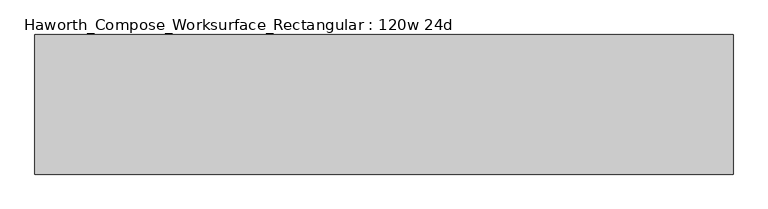
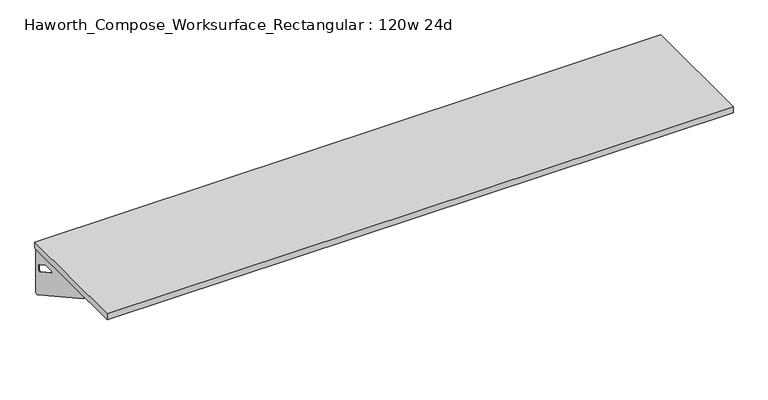
"""IFC4 building model written with IfcOpenShell, lengths in millimetres: furniture geometry, Haworth_Compose_Worksurface_Rectangular : 120w 24d."""

import ifcopenshell
import ifcopenshell.guid

model = None  # the IFC model being written
_history = None  # IfcOwnerHistory: only IFC2X3 demands one
_inside = {}  # id of a spatial element -> (the spatial element, [elements in it])
_under = {}  # id of a project, library or spatial element -> (it, [spatial elements below it])
_declared = {}  # id of a project -> (the project, [libraries it declares])
_typed = {}  # id of a type object -> (the type object, [elements of that type])
_made_of = {}  # id of a material, layer set ... -> (it, [elements and type objects made of it])


def new_model(schema):
    """Start an empty IFC model of exactly this schema.

    Asked for "IFC4X3", IfcOpenShell would pick the latest addendum, in which some entities
    have other attributes; the version numbers below select the first issue.
    IFC2X3 requires an IfcOwnerHistory on every rooted entity: one is made here for all.
    """
    global model, _history
    if schema == "IFC4X3":
        model = ifcopenshell.file(schema_version=(4, 3, 0, 0))
    else:
        model = ifcopenshell.file(schema=schema)
    _inside.clear()
    _under.clear()
    _declared.clear()
    _typed.clear()
    _made_of.clear()
    _history = None
    if model.schema == "IFC2X3":
        org = make("IfcOrganization", Name="unknown")
        user = make(
            "IfcPersonAndOrganization",
            ThePerson=make("IfcPerson", FamilyName="unknown"),
            TheOrganization=org,
        )
        app = make(
            "IfcApplication",
            ApplicationDeveloper=org,
            Version="unknown",
            ApplicationFullName="unknown",
            ApplicationIdentifier="unknown",
        )
        _history = make(
            "IfcOwnerHistory",
            OwningUser=user,
            OwningApplication=app,
            ChangeAction="ADDED",
            CreationDate=0,
        )
    return model


def make(cls, **values):
    """One entity of the class cls with the attributes given. An attribute that is None is left unset."""
    return model.create_entity(
        cls, **{name: value for name, value in values.items() if value is not None}
    )


def rooted(cls, **values):
    """An entity with a GlobalId (a new one), such as an element, a storey or a relation."""
    return make(cls, GlobalId=ifcopenshell.guid.new(), OwnerHistory=_history, **values)


def si_unit(unit_type, name, prefix=None):
    """IfcSIUnit, for example si_unit("LENGTHUNIT", "METRE", prefix="MILLI")."""
    return make("IfcSIUnit", UnitType=unit_type, Prefix=prefix, Name=name)


def assignment(units):
    """IfcUnitAssignment: the units of a project."""
    return None if units is None else make("IfcUnitAssignment", Units=units)


def point(xyz):
    """IfcCartesianPoint."""
    return None if xyz is None else make("IfcCartesianPoint", Coordinates=xyz)


def direction(xyz):
    """IfcDirection."""
    return None if xyz is None else make("IfcDirection", DirectionRatios=xyz)


def frame(location, z_axis=None, x_axis=None):
    """IfcAxis2Placement3D, a coordinate frame: its origin and axes. An axis left out is left unset."""
    return make(
        "IfcAxis2Placement3D",
        Location=point(location),
        Axis=direction(z_axis),
        RefDirection=direction(x_axis),
    )


def origin():
    """The frame at (0, 0, 0) with its axes left unset."""
    return frame((0.0, 0.0, 0.0))


def place(relative_to, where):
    """IfcLocalPlacement: puts the frame where relative to a parent placement (None: the world)."""
    return make(
        "IfcLocalPlacement", PlacementRelTo=relative_to, RelativePlacement=where
    )


def context(
    kind, dimensions, precision=None, world=None, true_north=None, identifier=None
):
    """IfcGeometricRepresentationContext, for example the 3D "Model" context."""
    return make(
        "IfcGeometricRepresentationContext",
        ContextIdentifier=identifier,
        ContextType=kind,
        CoordinateSpaceDimension=dimensions,
        Precision=precision,
        WorldCoordinateSystem=world,
        TrueNorth=true_north,
    )


def project(units=None, contexts=None):
    """IfcProject with its units and contexts."""
    return rooted(
        "IfcProject",
        Name="project",
        RepresentationContexts=contexts,
        UnitsInContext=assignment(units),
    )


def spatial(cls, under=None, at=None, **own):
    """A site, building, storey or space (cls), placed at a placement, below another one or the project."""
    s = rooted(cls, ObjectPlacement=at, **own)
    if under is not None:
        _under.setdefault(under.id(), (under, []))[1].append(s)
    return s


def polyline(points):
    """IfcPolyline through the points."""
    return make("IfcPolyline", Points=[point(p) for p in points])


def circle_curve(where, radius):
    """IfcCircle in the frame where."""
    return make("IfcCircle", Position=where, Radius=radius)


def outline(outer, holes=None, kind="AREA"):
    """IfcArbitraryClosedProfileDef: a profile drawn as a closed curve; with holes, ...WithVoids."""
    if holes is None:
        return make("IfcArbitraryClosedProfileDef", ProfileType=kind, OuterCurve=outer)
    return make(
        "IfcArbitraryProfileDefWithVoids",
        ProfileType=kind,
        OuterCurve=outer,
        InnerCurves=holes,
    )


def extrude(swept, where, along, depth):
    """IfcExtrudedAreaSolid: the profile swept, set in the frame where, extruded along a direction by depth."""
    return make(
        "IfcExtrudedAreaSolid",
        SweptArea=swept,
        Position=where,
        ExtrudedDirection=direction(along),
        Depth=depth,
    )


def shape(context_of_items, identifier, shape_type, items):
    """IfcShapeRepresentation: the items that make up one representation, for example the "Body"."""
    return make(
        "IfcShapeRepresentation",
        ContextOfItems=context_of_items,
        RepresentationIdentifier=identifier,
        RepresentationType=shape_type,
        Items=items,
    )


def source(mapping_origin, context_of_items, identifier, shape_type, items):
    """IfcRepresentationMap: a shape defined once, which mapped items show again and again."""
    return make(
        "IfcRepresentationMap",
        MappingOrigin=mapping_origin,
        MappedRepresentation=shape(context_of_items, identifier, shape_type, items),
    )


def transform(
    local_origin,
    x_axis=None,
    y_axis=None,
    z_axis=None,
    scale=None,
    scale2=None,
    scale3=None,
    uniform=True,
):
    """IfcCartesianTransformationOperator3D, or its non-uniform kind. x_axis, y_axis, z_axis: its Axis1, 2, 3."""
    if uniform:
        return make(
            "IfcCartesianTransformationOperator3D",
            Axis1=direction(x_axis),
            Axis2=direction(y_axis),
            LocalOrigin=point(local_origin),
            Scale=scale,
            Axis3=direction(z_axis),
        )
    return make(
        "IfcCartesianTransformationOperator3DnonUniform",
        Axis1=direction(x_axis),
        Axis2=direction(y_axis),
        LocalOrigin=point(local_origin),
        Scale=scale,
        Axis3=direction(z_axis),
        Scale2=scale2,
        Scale3=scale3,
    )


def mapped(mapping_source, mapping_target):
    """IfcMappedItem: shows the shape of a source again, moved by a transform."""
    return make(
        "IfcMappedItem", MappingSource=mapping_source, MappingTarget=mapping_target
    )


def made_of(thing, what):
    """Note that an element or type object is made of a material, layer set ...; save() writes the relation."""
    if what is not None:
        _made_of.setdefault(what.id(), (what, []))[1].append(thing)
    return thing


def element(
    cls,
    number,
    at=None,
    inside=None,
    cuts=None,
    type_object=None,
    material=None,
    context=None,
    identifier="Body",
    shape_type=None,
    held_by="IfcProductDefinitionShape",
    body=None,
    shapes=None,
    **own,
):
    """One element of the class cls, such as IfcWall. Its Tag is "e" and its number.

    at: its placement. inside: the storey or other place that contains it. cuts: it is an
    opening in that element (IfcRelVoidsElement). A single representation is given by context,
    identifier, shape_type and body (its items); several are given by shapes. held_by: the class
    of the entity that holds the representations. save() writes the other relations.
    """
    e = rooted(cls, Tag="e%d" % number, ObjectPlacement=at, **own)
    if body is not None:
        shapes = [shape(context, identifier, shape_type, body)]
    if shapes is not None:
        e.Representation = make(held_by, Representations=shapes)
    if inside is not None:
        _inside.setdefault(inside.id(), (inside, []))[1].append(e)
    if cuts is not None:
        rooted(
            "IfcRelVoidsElement", RelatingBuildingElement=cuts, RelatedOpeningElement=e
        )
    if type_object is not None:
        _typed.setdefault(type_object.id(), (type_object, []))[1].append(e)
    return made_of(e, material)


def aggregate(whole, parts):
    """IfcRelAggregates: a whole, such as a stair, and the parts it consists of."""
    return rooted("IfcRelAggregates", RelatingObject=whole, RelatedObjects=parts)


def save(model, path):
    """Write the relations noted so far, then the file.

    IfcRelAggregates (storeys below a building ...), IfcRelContainedInSpatialStructure (elements
    in a storey), IfcRelDefinesByType, IfcRelAssociatesMaterial and IfcRelDeclares: one each for
    every whole, place, type object, material and project.
    """
    for whole, parts in _under.values():
        aggregate(whole, parts)
    for where, things in _inside.values():
        rooted(
            "IfcRelContainedInSpatialStructure",
            RelatedElements=things,
            RelatingStructure=where,
        )
    for kind, things in _typed.values():
        rooted("IfcRelDefinesByType", RelatedObjects=things, RelatingType=kind)
    for what, things in _made_of.values():
        rooted("IfcRelAssociatesMaterial", RelatedObjects=things, RelatingMaterial=what)
    for by, libraries in _declared.values():
        rooted("IfcRelDeclares", RelatingContext=by, RelatedDefinitions=libraries)
    model.write(path)


def plane_surface(at):
    """IfcPlane: the flat surface through the origin of the frame at, square to its z axis."""
    return make("IfcPlane", Position=at)


def revolved_surface(curve, axis_point, axis_direction):
    """IfcSurfaceOfRevolution: the curve turned about the line through axis_point along axis_direction."""
    return make(
        "IfcSurfaceOfRevolution",
        SweptCurve=make("IfcArbitraryOpenProfileDef", ProfileType="CURVE", Curve=curve),
        AxisPosition=make("IfcAxis1Placement", Location=point(axis_point), Axis=direction(axis_direction)),
    )


def advanced_brep(points, edges, surfaces, faces):
    """IfcAdvancedBrep: a solid bounded by faces that lie on surfaces and meet in shared edges.

    An edge is (start, end): straight between two places in points (the first is 0);
    or (start, end, curve); or (start, end, curve, False) where it runs against its curve.
    A face is (place in surfaces, loops), or (place, loops, False) where it looks against
    its surface's normal. A loop lists edges by number (the first is 1), with a minus sign
    where the edge is run from its end to its start. The first loop is the outer one.
    """
    corners = [point(p) for p in points]
    vertices = [make("IfcVertexPoint", VertexGeometry=c) for c in corners]
    made = []
    for start, end, *more in edges:
        made.append(
            make(
                "IfcEdgeCurve",
                EdgeStart=vertices[start],
                EdgeEnd=vertices[end],
                EdgeGeometry=more[0] if more else make("IfcPolyline", Points=[corners[start], corners[end]]),
                SameSense=more[1] if len(more) > 1 else True,
            )
        )
    hull = []
    for where, loops, *sense in faces:
        bounds = []
        for j, loop in enumerate(loops):
            ring = [make("IfcOrientedEdge", EdgeElement=made[abs(k) - 1], Orientation=k > 0) for k in loop]
            bounds.append(
                make(
                    "IfcFaceOuterBound" if j == 0 else "IfcFaceBound",
                    Bound=make("IfcEdgeLoop", EdgeList=ring),
                    Orientation=True,
                )
            )
        hull.append(make("IfcAdvancedFace", Bounds=bounds, FaceSurface=surfaces[where], SameSense=sense[0] if sense else True))
    return make("IfcAdvancedBrep", Outer=make("IfcClosedShell", CfsFaces=hull))


def haworth_compose_worksurface_rectangular_120w_24d_b647d6b1(model_context):
    return source(origin(), model_context, "Body", "SolidModel", [
        advanced_brep(
        [(1518.44375, 304.8, 475.45625), (1518.44375, 288.925, 475.45625), (1518.44375, -101.6, 691.7192568), (1518.44375, -101.6, 704.05625), (1518.44375, 288.925, 704.05625), (1518.44375, 304.8, 704.05625), (1518.44375, 221.490072, 665.95625), (1518.44375, 177.8355284, 665.95625), (1518.44375, 175.1564235, 656.3705539), (1518.44375, 266.8776173, 605.5776439), (1518.44375, 276.225, 611.1756969), (1518.44375, 276.225, 634.6860246), (1518.44375, 274.4730055, 637.5242776), (1518.44375, 224.5663437, 665.1613425), (1520.825, 304.8, 475.45625), (1520.825, 304.8, 704.05625), (1520.825, 288.925, 704.05625), (1520.825, 288.925, 706.4375), (1520.825, -101.6, 706.4375), (1520.825, -101.6, 691.7192568), (1520.825, 288.925, 475.45625), (1520.825, 221.490072, 665.95625), (1520.825, 224.5663437, 665.1613425), (1520.825, 274.4730055, 637.5242776), (1520.825, 276.225, 634.6860246), (1520.825, 276.225, 611.1756969), (1520.825, 266.8776173, 605.5776439), (1520.825, 175.1564235, 656.3705539), (1520.825, 177.8355284, 665.95625), (1479.55, -101.6, 706.4375), (1479.55, -101.6, 704.05625), (1479.55, 288.925, 704.05625), (1479.55, 288.925, 706.4375)],
        [
            (0, 1),
            (1, 2),
            (2, 3),
            (3, 4),
            (4, 5),
            (5, 0),
            (6, 7),
            (7, 8, circle_curve(frame((1518.44375, 177.8355284, 660.7890106), z_axis=(1.0, 0.0, 0.0), x_axis=(0.0, -1.0, 0.0)), 5.1672394)),
            (8, 9),
            (9, 10, circle_curve(frame((1518.44375, 269.875, 611.1756969), z_axis=(1.0, 0.0, 0.0), x_axis=(0.0, -1.0, 0.0)), 6.35)),
            (10, 11),
            (11, 12, circle_curve(frame((1518.44375, 273.05, 634.6860246), z_axis=(1.0, 0.0, 0.0), x_axis=(0.0, -1.0, 0.0)), 3.175)),
            (12, 13),
            (13, 6, circle_curve(frame((1518.44375, 221.490072, 659.60625), z_axis=(1.0, 0.0, 0.0), x_axis=(0.0, -1.0, 0.0)), 6.35)),
            (14, 15),
            (15, 16),
            (16, 17),
            (17, 18),
            (18, 19),
            (19, 20),
            (20, 14),
            (21, 22, circle_curve(frame((1520.825, 221.490072, 659.60625), z_axis=(-1.0, 0.0, 0.0), x_axis=(0.0, -1.0, 0.0)), 6.35)),
            (22, 23),
            (23, 24, circle_curve(frame((1520.825, 273.05, 634.6860246), z_axis=(-1.0, 0.0, 0.0), x_axis=(0.0, -1.0, 0.0)), 3.175)),
            (24, 25),
            (25, 26, circle_curve(frame((1520.825, 269.875, 611.1756969), z_axis=(-1.0, 0.0, 0.0), x_axis=(0.0, -1.0, 0.0)), 6.35)),
            (26, 27),
            (27, 28, circle_curve(frame((1520.825, 177.8355284, 660.7890106), z_axis=(-1.0, 0.0, 0.0), x_axis=(0.0, -1.0, 0.0)), 5.1672394)),
            (28, 21),
            (4, 16),
            (15, 5),
            (14, 0),
            (20, 1),
            (19, 2),
            (18, 29),
            (29, 30),
            (30, 3),
            (6, 21),
            (28, 7),
            (9, 26),
            (25, 10),
            (24, 11),
            (23, 12),
            (27, 8),
            (31, 4),
            (30, 31),
            (32, 29),
            (17, 32),
            (31, 32),
            (22, 13),
        ],
        [
            plane_surface(frame((1518.44375, 304.8, 475.45625), z_axis=(-1.0, 0.0, 0.0), x_axis=(0.0, 1.0, 0.0))),
            plane_surface(frame((1520.825, 304.8, 475.45625), z_axis=(1.0, 0.0, 0.0), x_axis=(0.0, -1.0, 0.0))),
            plane_surface(frame((1520.825, -101.6, 704.05625), z_axis=(0.0, 0.0, 1.0), x_axis=(-1.0, 0.0, 0.0))),
            plane_surface(frame((1520.825, 304.8, 704.05625), z_axis=(0.0, 1.0, 0.0), x_axis=(-1.0, 0.0, 0.0))),
            plane_surface(frame((1520.825, 304.8, 475.45625), z_axis=(0.0, 0.0, -1.0), x_axis=(-1.0, 0.0, 0.0))),
            plane_surface(frame((1520.825, 288.925, 475.45625), z_axis=(0.0, -0.48445223513455843, -0.8748177135112952), x_axis=(-1.0, 0.0, 0.0))),
            plane_surface(frame((1520.825, -101.6, 691.7192568), z_axis=(0.0, -1.0, 0.0), x_axis=(-1.0, 0.0, 0.0))),
            plane_surface(frame((1520.825, 221.490072, 665.95625), z_axis=(0.0, 0.0, -1.0), x_axis=(-1.0, 0.0, 0.0))),
            revolved_surface(polyline([(1518.44375, 263.525, 611.1756969), (1520.825, 263.525, 611.1756969)]), (1520.825, 269.875, 611.1756969), (-1.0, 0.0, 0.0)),
            plane_surface(frame((1520.825, 276.225, 611.1756969), z_axis=(0.0, -1.0, 0.0), x_axis=(-1.0, 0.0, 0.0))),
            revolved_surface(polyline([(1518.44375, 269.875, 634.6860246), (1520.825, 269.875, 634.6860246)]), (1520.825, 273.05, 634.6860246), (-1.0, 0.0, 0.0)),
            revolved_surface(polyline([(1518.44375, 172.668289, 660.7890106), (1520.825, 172.668289, 660.7890106)]), (1520.825, 177.8355284, 660.7890106), (-1.0, 0.0, 0.0)),
            plane_surface(frame((1520.825, 288.925, 704.05625), z_axis=(0.0, 0.0, -1.0), x_axis=(-1.0, 0.0, 0.0))),
            plane_surface(frame((1520.825, 288.925, 706.4375), z_axis=(0.0, 0.0, 1.0), x_axis=(1.0, 0.0, 0.0))),
            plane_surface(frame((1479.55, 288.925, 706.4375), z_axis=(0.0, 1.0, 0.0), x_axis=(0.0, 0.0, -1.0))),
            plane_surface(frame((1479.55, -101.6, 706.4375), z_axis=(-1.0, 0.0, 0.0), x_axis=(0.0, 0.0, -1.0))),
            plane_surface(frame((1520.825, 175.1564235, 656.3705539), z_axis=(0.0, 0.4844522351345583, 0.8748177135112953), x_axis=(-1.0, 0.0, 0.0))),
            plane_surface(frame((1520.825, 274.4730055, 637.5242776), z_axis=(0.0, -0.4844522351345582, -0.8748177135112953), x_axis=(-1.0, 0.0, 0.0))),
            revolved_surface(polyline([(1518.44375, 215.140072, 659.60625), (1520.825, 215.140072, 659.60625)]), (1520.825, 221.490072, 659.60625), (-1.0, 0.0, 0.0)),
        ],
        [
            (0, [[1, 2, 3, 4, 5, 6], [7, 8, 9, 10, 11, 12, 13, 14]]),
            (1, [[15, 16, 17, 18, 19, 20, 21], [22, 23, 24, 25, 26, 27, 28, 29]]),
            (2, [[-5, 30, -16, 31]]),
            (3, [[-31, -15, 32, -6]]),
            (4, [[-32, -21, 33, -1]]),
            (5, [[-33, -20, 34, -2]]),
            (6, [[-34, -19, 35, 36, 37, -3]]),
            (7, [[38, -29, 39, -7]]),
            (8, [[40, -26, 41, -10]]),
            (9, [[-41, -25, 42, -11]]),
            (10, [[-42, -24, 43, -12]]),
            (11, [[-39, -28, 44, -8]]),
            (12, [[45, -4, -37, 46]]),
            (13, [[47, -35, -18, 48]]),
            (14, [[-17, -30, -45, 49, -48]]),
            (15, [[-36, -47, -49, -46]]),
            (16, [[-44, -27, -40, -9]]),
            (17, [[-43, -23, 50, -13]]),
            (18, [[-50, -22, -38, -14]]),
        ],
    ),
        advanced_brep(
        [(-1518.44375, 304.8, 475.45625), (-1518.44375, 304.8, 704.05625), (-1518.44375, 288.925, 704.05625), (-1518.44375, -101.6, 704.05625), (-1518.44375, -101.6, 691.7192568), (-1518.44375, 288.925, 475.45625), (-1518.44375, 221.490072, 665.95625), (-1518.44375, 224.5663437, 665.1613425), (-1518.44375, 274.4730055, 637.5242776), (-1518.44375, 276.225, 634.6860246), (-1518.44375, 276.225, 611.1756969), (-1518.44375, 266.8776173, 605.5776439), (-1518.44375, 175.1564235, 656.3705539), (-1518.44375, 177.8355284, 665.95625), (-1520.825, 304.8, 475.45625), (-1520.825, 288.925, 475.45625), (-1520.825, -101.6, 691.7192568), (-1520.825, -101.6, 706.4375), (-1520.825, 288.925, 706.4375), (-1520.825, 288.925, 704.05625), (-1520.825, 304.8, 704.05625), (-1520.825, 221.490072, 665.95625), (-1520.825, 177.8355284, 665.95625), (-1520.825, 175.1564235, 656.3705539), (-1520.825, 266.8776173, 605.5776439), (-1520.825, 276.225, 611.1756969), (-1520.825, 276.225, 634.6860246), (-1520.825, 274.4730055, 637.5242776), (-1520.825, 224.5663437, 665.1613425), (-1479.55, -101.6, 704.05625), (-1479.55, -101.6, 706.4375), (-1479.55, 288.925, 704.05625), (-1479.55, 288.925, 706.4375)],
        [
            (0, 1),
            (1, 2),
            (2, 3),
            (3, 4),
            (4, 5),
            (5, 0),
            (6, 7, circle_curve(frame((-1518.44375, 221.490072, 659.60625), z_axis=(-1.0, 0.0, 0.0), x_axis=(0.0, -1.0, 0.0)), 6.35)),
            (7, 8),
            (8, 9, circle_curve(frame((-1518.44375, 273.05, 634.6860246), z_axis=(-1.0, 0.0, 0.0), x_axis=(0.0, -1.0, 0.0)), 3.175)),
            (9, 10),
            (10, 11, circle_curve(frame((-1518.44375, 269.875, 611.1756969), z_axis=(-1.0, 0.0, 0.0), x_axis=(0.0, -1.0, 0.0)), 6.35)),
            (11, 12),
            (12, 13, circle_curve(frame((-1518.44375, 177.8355284, 660.7890106), z_axis=(-1.0, 0.0, 0.0), x_axis=(0.0, -1.0, 0.0)), 5.1672394)),
            (13, 6),
            (14, 15),
            (15, 16),
            (16, 17),
            (17, 18),
            (18, 19),
            (19, 20),
            (20, 14),
            (21, 22),
            (22, 23, circle_curve(frame((-1520.825, 177.8355284, 660.7890106), z_axis=(1.0, 0.0, 0.0), x_axis=(0.0, -1.0, 0.0)), 5.1672394)),
            (23, 24),
            (24, 25, circle_curve(frame((-1520.825, 269.875, 611.1756969), z_axis=(1.0, 0.0, 0.0), x_axis=(0.0, -1.0, 0.0)), 6.35)),
            (25, 26),
            (26, 27, circle_curve(frame((-1520.825, 273.05, 634.6860246), z_axis=(1.0, 0.0, 0.0), x_axis=(0.0, -1.0, 0.0)), 3.175)),
            (27, 28),
            (28, 21, circle_curve(frame((-1520.825, 221.490072, 659.60625), z_axis=(1.0, 0.0, 0.0), x_axis=(0.0, -1.0, 0.0)), 6.35)),
            (1, 20),
            (19, 2),
            (0, 14),
            (5, 15),
            (4, 16),
            (3, 29),
            (29, 30),
            (30, 17),
            (13, 22),
            (21, 6),
            (10, 25),
            (24, 11),
            (9, 26),
            (8, 27),
            (12, 23),
            (31, 29),
            (2, 31),
            (32, 18),
            (30, 32),
            (32, 31),
            (7, 28),
        ],
        [
            plane_surface(frame((-1518.44375, 304.8, 475.45625), z_axis=(1.0, 0.0, 0.0), x_axis=(0.0, 1.0, 0.0))),
            plane_surface(frame((-1520.825, 304.8, 475.45625), z_axis=(-1.0, 0.0, 0.0), x_axis=(0.0, -1.0, 0.0))),
            plane_surface(frame((-1520.825, -101.6, 704.05625), z_axis=(0.0, 0.0, 1.0), x_axis=(1.0, 0.0, 0.0))),
            plane_surface(frame((-1520.825, 304.8, 704.05625), z_axis=(0.0, 1.0, 0.0), x_axis=(1.0, 0.0, 0.0))),
            plane_surface(frame((-1520.825, 304.8, 475.45625), z_axis=(0.0, 0.0, -1.0), x_axis=(1.0, 0.0, 0.0))),
            plane_surface(frame((-1520.825, 288.925, 475.45625), z_axis=(0.0, -0.48445223513455843, -0.8748177135112952), x_axis=(1.0, 0.0, 0.0))),
            plane_surface(frame((-1520.825, -101.6, 691.7192568), z_axis=(0.0, -1.0, 0.0), x_axis=(1.0, 0.0, 0.0))),
            plane_surface(frame((-1520.825, 221.490072, 665.95625), z_axis=(0.0, 0.0, -1.0), x_axis=(1.0, 0.0, 0.0))),
            revolved_surface(polyline([(-1518.44375, 263.525, 611.1756969), (-1520.825, 263.525, 611.1756969)]), (-1520.825, 269.875, 611.1756969), (1.0, 0.0, 0.0)),
            plane_surface(frame((-1520.825, 276.225, 611.1756969), z_axis=(0.0, -1.0, 0.0), x_axis=(1.0, 0.0, 0.0))),
            revolved_surface(polyline([(-1518.44375, 269.875, 634.6860246), (-1520.825, 269.875, 634.6860246)]), (-1520.825, 273.05, 634.6860246), (1.0, 0.0, 0.0)),
            revolved_surface(polyline([(-1518.44375, 172.668289, 660.7890106), (-1520.825, 172.668289, 660.7890106)]), (-1520.825, 177.8355284, 660.7890106), (1.0, 0.0, 0.0)),
            plane_surface(frame((-1520.825, 288.925, 704.05625), z_axis=(0.0, 0.0, -1.0), x_axis=(1.0, 0.0, 0.0))),
            plane_surface(frame((-1520.825, 288.925, 706.4375), z_axis=(0.0, 0.0, 1.0), x_axis=(-1.0, 0.0, 0.0))),
            plane_surface(frame((-1479.55, 288.925, 706.4375), z_axis=(0.0, 1.0, 0.0), x_axis=(0.0, 0.0, -1.0))),
            plane_surface(frame((-1479.55, -101.6, 706.4375), z_axis=(1.0, 0.0, 0.0), x_axis=(0.0, 0.0, -1.0))),
            plane_surface(frame((-1520.825, 175.1564235, 656.3705539), z_axis=(0.0, 0.4844522351345583, 0.8748177135112953), x_axis=(1.0, 0.0, 0.0))),
            plane_surface(frame((-1520.825, 274.4730055, 637.5242776), z_axis=(0.0, -0.4844522351345582, -0.8748177135112953), x_axis=(1.0, 0.0, 0.0))),
            revolved_surface(polyline([(-1518.44375, 215.140072, 659.60625), (-1520.825, 215.140072, 659.60625)]), (-1520.825, 221.490072, 659.60625), (1.0, 0.0, 0.0)),
        ],
        [
            (0, [[1, 2, 3, 4, 5, 6], [7, 8, 9, 10, 11, 12, 13, 14]]),
            (1, [[15, 16, 17, 18, 19, 20, 21], [22, 23, 24, 25, 26, 27, 28, 29]]),
            (2, [[30, -20, 31, -2]]),
            (3, [[-1, 32, -21, -30]]),
            (4, [[-6, 33, -15, -32]]),
            (5, [[-5, 34, -16, -33]]),
            (6, [[-4, 35, 36, 37, -17, -34]]),
            (7, [[-14, 38, -22, 39]]),
            (8, [[-11, 40, -25, 41]]),
            (9, [[-10, 42, -26, -40]]),
            (10, [[-9, 43, -27, -42]]),
            (11, [[-13, 44, -23, -38]]),
            (12, [[45, -35, -3, 46]]),
            (13, [[47, -18, -37, 48]]),
            (14, [[-47, 49, -46, -31, -19]]),
            (15, [[-45, -49, -48, -36]]),
            (16, [[-12, -41, -24, -44]]),
            (17, [[-8, 50, -28, -43]]),
            (18, [[-7, -39, -29, -50]]),
        ],
    ),
        extrude(outline(polyline([(1524.0, 304.8), (1524.0, -304.8), (-1524.0, -304.8), (-1524.0, 304.8), (1524.0, 304.8)])), frame((0.0, 0.0, 706.4375), z_axis=(0.0, 0.0, 1.0), x_axis=(1.0, 0.0, 0.0)), (0.0, 0.0, 1.0), 30.1625),
    ])


if __name__ == "__main__":
    model = new_model("IFC4")
    model_context = context("Model", 3, world=origin())
    ifc_project = project(units=[si_unit("LENGTHUNIT", "METRE", prefix="MILLI")], contexts=[model_context])
    site = spatial("IfcSite", under=ifc_project)
    building = spatial("IfcBuilding", under=site)
    placement = place(None, origin())
    haworth_compose_worksurface_rectangular_120w_24d_shape = haworth_compose_worksurface_rectangular_120w_24d_b647d6b1(model_context)
    element("IfcFurniture", 1, ObjectType="Haworth_Compose_Worksurface_Rectangular : 120w 24d", at=placement, inside=building, context=model_context, shape_type="MappedRepresentation", body=[
        mapped(haworth_compose_worksurface_rectangular_120w_24d_shape, transform((0.0, 0.0, 0.0), x_axis=(1.0, 0.0, 0.0), y_axis=(0.0, 1.0, 0.0), z_axis=(0.0, 0.0, 1.0))),
    ])
    save(model, "model.ifc")
